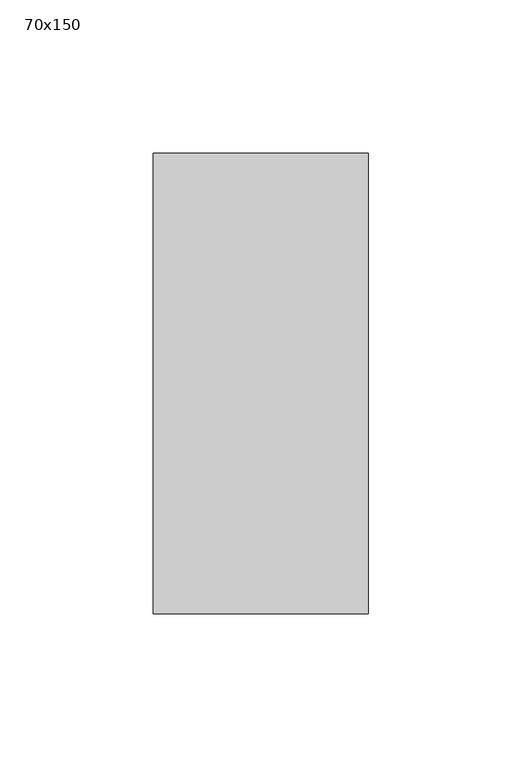
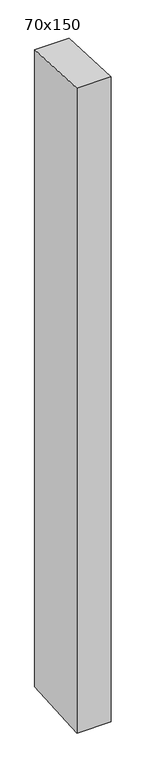
"""IFC4 building model written with IfcOpenShell, lengths in millimetres: member geometry, 70x150."""

from ifc_helpers import new_model, si_unit, frame, origin, place, context, project, spatial, polyline, outline, extrude, source, transform, mapped, element, save


def member_70x150_ee129655(model_context):
    return source(origin(), model_context, "Body", "SweptSolid", [
        extrude(outline(polyline([(-75.0, 3.7398753), (75.0, -3.7398753), (75.0, -1383.4275746), (-75.0, -1393.3222831), (-75.0, 3.7398753)])), frame((-70.0, 0.0, 0.0), z_axis=(1.0, 0.0, 0.0), x_axis=(0.0, 1.0, 0.0)), (0.0, 0.0, 1.0), 70.0),
    ])


if __name__ == "__main__":
    model = new_model("IFC4")
    model_context = context("Model", 3, world=origin())
    ifc_project = project(units=[si_unit("LENGTHUNIT", "METRE", prefix="MILLI")], contexts=[model_context])
    site = spatial("IfcSite", under=ifc_project)
    building = spatial("IfcBuilding", under=site)
    placement = place(None, origin())
    member_70x150_shape = member_70x150_ee129655(model_context)
    element("IfcMember", 1, ObjectType="70x150", at=placement, inside=building, context=model_context, shape_type="MappedRepresentation", body=[
        mapped(member_70x150_shape, transform((0.0, 0.0, 0.0), x_axis=(1.0, 0.0, 0.0), y_axis=(0.0, 1.0, 0.0), z_axis=(0.0, 0.0, 1.0))),
    ])
    save(model, "model.ifc")
